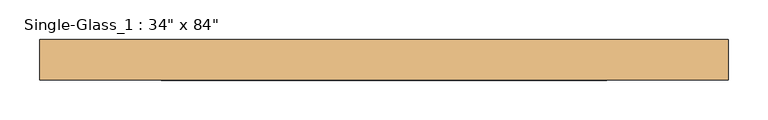
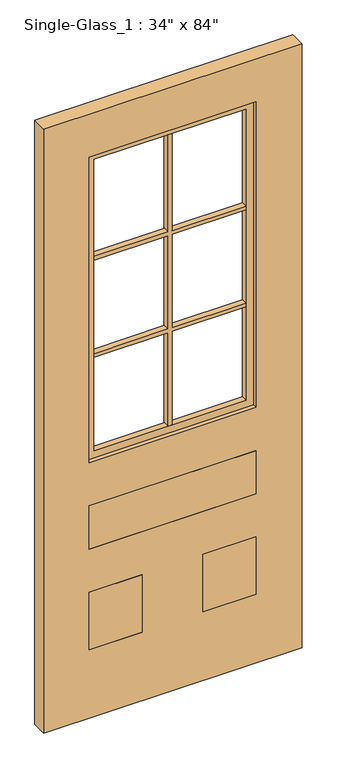
"""IFC4 building model written with IfcOpenShell, lengths in millimetres: door geometry."""

from ifc_helpers import new_model, si_unit, frame, origin, place, context, project, spatial, polyline, outline, extrude, faceted_brep, source, transform, mapped, element, save


def door_72376370(model_context):
    return source(origin(), model_context, "Body", "SolidModel", [
        faceted_brep([(254.0, 76.3085879, 1612.9), (254.0, 76.3085879, 1600.2), (6.35, 76.3085879, 1600.2), (6.35, 76.3085879, 1612.9), (-254.0, 76.3085879, 1600.2), (-254.0, 76.3085879, 1612.9), (-6.35, 76.3085879, 1612.9), (-6.35, 76.3085879, 1600.2), (-254.0, 55.931992, 1612.9), (-254.0, 55.931992, 1600.2), (-6.35, 55.931992, 1600.2), (-6.35, 55.931992, 1270.0), (-254.0, 55.931992, 1270.0), (-254.0, 55.931992, 1257.3), (-6.35, 55.931992, 1257.3), (-6.35, 55.931992, 927.1), (6.35, 55.931992, 927.1), (6.35, 55.931992, 1257.3), (254.0, 55.931992, 1257.3), (254.0, 55.931992, 1270.0), (6.35, 55.931992, 1270.0), (6.35, 55.931992, 1600.2), (254.0, 55.931992, 1600.2), (254.0, 55.931992, 1612.9), (6.35, 55.931992, 1612.9), (6.35, 55.931992, 1955.8), (-6.35, 55.931992, 1955.8), (-6.35, 55.931992, 1612.9), (-6.35, 79.1381298, 1955.8), (6.35, 79.1381298, 1955.8), (6.35, 79.1381298, 927.1), (-6.35, 79.1381298, 927.1), (6.35, 76.3085879, 1270.0), (6.35, 76.3085879, 1257.3), (-6.35, 76.3085879, 1257.3), (-6.35, 76.3085879, 1270.0), (254.0, 76.3085879, 1270.0), (254.0, 76.3085879, 1257.3), (-254.0, 76.3085879, 1257.3), (-254.0, 76.3085879, 1270.0)], [[[0, 1, 2, 3]], [[4, 5, 6, 7]], [[8, 9, 10, 11, 12, 13, 14, 15, 16, 17, 18, 19, 20, 21, 22, 23, 24, 25, 26, 27]], [[5, 8, 27, 6]], [[23, 0, 3, 24]], [[1, 0, 23, 22]], [[1, 22, 21, 2]], [[9, 4, 7, 10]], [[5, 4, 9, 8]], [[28, 29, 30, 31]], [[29, 28, 26, 25]], [[30, 29, 25, 24, 3, 2, 21, 20, 32, 33, 17, 16]], [[31, 30, 16, 15]], [[28, 31, 15, 14, 34, 35, 11, 10, 7, 6, 27, 26]], [[36, 37, 33, 32]], [[38, 39, 35, 34]], [[39, 12, 11, 35]], [[19, 36, 32, 20]], [[37, 36, 19, 18]], [[37, 18, 17, 33]], [[13, 38, 34, 14]], [[39, 38, 13, 12]]]),
        extrude(outline(polyline([(1981.2, -279.4), (901.7, -279.4), (901.7, 279.4), (1981.2, 279.4), (1981.2, -279.4)]), holes=[polyline([(1955.8, -254.0), (1955.8, 254.0), (927.1, 254.0), (927.1, -254.0), (1955.8, -254.0)])]), frame((0.0, 55.931992, 0.0), z_axis=(0.0, 1.0, 0.0), x_axis=(0.0, 0.0, 1.0)), (0.0, 0.0, 1.0), 20.376596),
        extrude(outline(polyline([(-279.4, 59.2484401), (-101.6, 59.2484401), (-101.6, 41.275), (-279.4, 41.275), (-279.4, 59.2484401)])), frame((0.0, 0.0, 241.3), z_axis=(0.0, 0.0, 1.0), x_axis=(1.0, 0.0, 0.0)), (0.0, 0.0, 1.0), 203.2),
        faceted_brep([(-101.6, 92.075, 241.3), (-121.0575289, 75.7481947, 260.7575289), (-121.0575289, 75.7481947, 425.0424711), (-101.6, 92.075, 444.5), (-101.6, 59.2484401, 241.3), (-101.6, 59.2484401, 444.5), (-121.0575289, 59.2484401, 260.7575289), (-121.0575289, 59.2484401, 425.0424711), (-259.9424711, 75.7481947, 425.0424711), (-279.4, 92.075, 444.5), (-279.4, 59.2484401, 444.5), (-259.9424711, 59.2484401, 425.0424711), (-259.9424711, 75.7481947, 260.7575289), (-279.4, 92.075, 241.3), (-279.4, 59.2484401, 241.3), (-259.9424711, 59.2484401, 260.7575289)], [[[0, 1, 2, 3]], [[4, 0, 3, 5]], [[1, 6, 7, 2]], [[3, 2, 8, 9]], [[5, 3, 9, 10]], [[2, 7, 11, 8]], [[9, 8, 12, 13]], [[10, 9, 13, 14]], [[8, 11, 15, 12]], [[13, 12, 1, 0]], [[14, 13, 0, 4]], [[5, 10, 14, 4], [6, 15, 11, 7]], [[12, 15, 6, 1]]]),
        faceted_brep([(121.0575289, 59.2484401, 260.7575289), (121.0575289, 75.7481947, 260.7575289), (121.0575289, 75.7481947, 425.0424711), (121.0575289, 59.2484401, 425.0424711), (101.6, 92.075, 241.3), (101.6, 59.2484401, 241.3), (101.6, 59.2484401, 444.5), (101.6, 92.075, 444.5), (259.9424711, 75.7481947, 425.0424711), (259.9424711, 59.2484401, 425.0424711), (279.4, 59.2484401, 444.5), (279.4, 92.075, 444.5), (259.9424711, 75.7481947, 260.7575289), (259.9424711, 59.2484401, 260.7575289), (279.4, 59.2484401, 241.3), (279.4, 92.075, 241.3)], [[[0, 1, 2, 3]], [[4, 5, 6, 7]], [[1, 4, 7, 2]], [[3, 2, 8, 9]], [[7, 6, 10, 11]], [[2, 7, 11, 8]], [[9, 8, 12, 13]], [[11, 10, 14, 15]], [[8, 11, 15, 12]], [[13, 12, 1, 0]], [[5, 14, 10, 6], [3, 9, 13, 0]], [[15, 14, 5, 4]], [[12, 15, 4, 1]]]),
        extrude(outline(polyline([(101.6, 59.2484401), (279.4, 59.2484401), (279.4, 41.275), (101.6, 41.275), (101.6, 59.2484401)])), frame((0.0, 0.0, 241.3), z_axis=(0.0, 0.0, 1.0), x_axis=(1.0, 0.0, 0.0)), (0.0, 0.0, 1.0), 203.2),
        faceted_brep([(-262.0772417, 73.498616, 614.2227583), (-279.4, 92.075, 596.9), (-279.4, 92.075, 749.3), (-262.0772417, 73.498616, 731.9772417), (-262.0772417, 66.675, 614.2227583), (-262.0772417, 66.675, 731.9772417), (-279.4, 66.675, 596.9), (-279.4, 66.675, 749.3), (279.4, 92.075, 749.3), (262.0772417, 73.498616, 731.9772417), (262.0772417, 66.675, 731.9772417), (279.4, 66.675, 749.3), (279.4, 92.075, 596.9), (262.0772417, 73.498616, 614.2227583), (262.0772417, 66.675, 614.2227583), (279.4, 66.675, 596.9)], [[[0, 1, 2, 3]], [[4, 0, 3, 5]], [[1, 6, 7, 2]], [[3, 2, 8, 9]], [[5, 3, 9, 10]], [[2, 7, 11, 8]], [[9, 8, 12, 13]], [[10, 9, 13, 14]], [[8, 11, 15, 12]], [[13, 12, 1, 0]], [[14, 13, 0, 4]], [[6, 15, 11, 7], [5, 10, 14, 4]], [[12, 15, 6, 1]]]),
        extrude(outline(polyline([(-279.4, 66.675), (279.4, 66.675), (279.4, 41.275), (-279.4, 41.275), (-279.4, 66.675)])), frame((0.0, 0.0, 596.9), z_axis=(0.0, 0.0, 1.0), x_axis=(1.0, 0.0, 0.0)), (0.0, 0.0, 1.0), 152.4),
        extrude(outline(polyline([(2133.6, 431.8), (2133.6, -431.8), (0.0, -431.8), (0.0, 431.8), (2133.6, 431.8)]), holes=[polyline([(1981.2, -279.4), (1981.2, 279.4), (901.7, 279.4), (901.7, -279.4), (1981.2, -279.4)]), polyline([(596.9, -279.4), (749.3, -279.4), (749.3, 279.4), (596.9, 279.4), (596.9, -279.4)]), polyline([(241.3, 101.6), (444.5, 101.6), (444.5, 279.4), (241.3, 279.4), (241.3, 101.6)]), polyline([(444.5, -101.6), (241.3, -101.6), (241.3, -279.4), (444.5, -279.4), (444.5, -101.6)])]), frame((0.0, 41.275, 0.0), z_axis=(0.0, 1.0, 0.0), x_axis=(0.0, 0.0, 1.0)), (0.0, 0.0, 1.0), 50.8),
    ])


if __name__ == "__main__":
    model = new_model("IFC4")
    model_context = context("Model", 3, world=origin())
    ifc_project = project(units=[si_unit("LENGTHUNIT", "METRE", prefix="MILLI")], contexts=[model_context])
    site = spatial("IfcSite", under=ifc_project)
    building = spatial("IfcBuilding", under=site)
    placement = place(None, origin())
    door_shape = door_72376370(model_context)
    element("IfcDoor", 1, ObjectType="Single-Glass_1 : 34\" x 84\"", at=placement, inside=building, context=model_context, shape_type="MappedRepresentation", body=[
        mapped(door_shape, transform((0.0, 0.0, 0.0), x_axis=(1.0, 0.0, 0.0), y_axis=(0.0, 1.0, 0.0), z_axis=(0.0, 0.0, 1.0))),
    ])
    save(model, "model.ifc")
